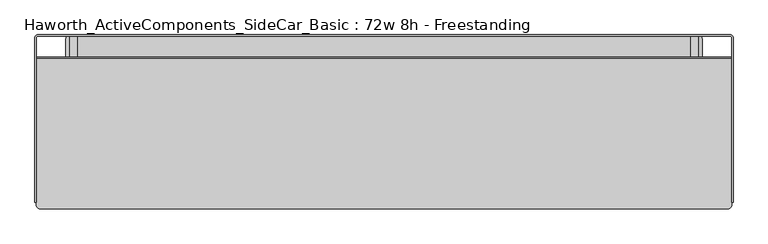
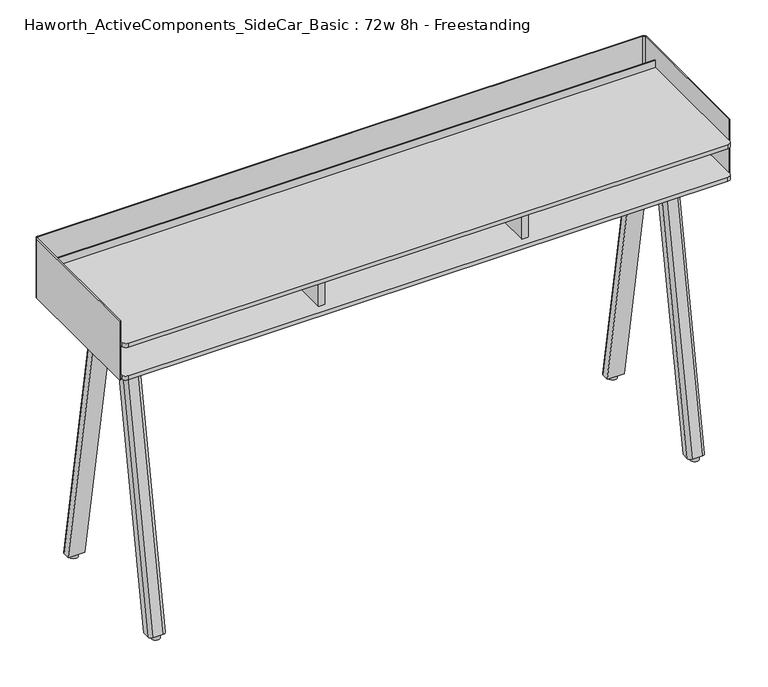
"""IFC4 building model written with IfcOpenShell, lengths in millimetres: furniture geometry, Haworth_ActiveComponents_SideCar_Basic : 72w 8h - Freestanding."""

from ifc_helpers import new_model, si_unit, point, frame, frame_2d, origin, origin_with_axes, place, context, project, spatial, polyline, circle_curve, trimmed, segment, composite_curve, outline, extrude, source, transform, mapped, element, save
from ifc_brep_helpers import plane_surface, extruded_surface, advanced_brep


def haworth_activecomponents_sidecar_basic_72w_8h_freestanding_e41c4fab(model_context):
    return source(origin(), model_context, "Body", "SolidModel", [
        advanced_brep(
        [(823.9125, -178.990625, 850.9), (792.1625, -178.990625, 850.9), (782.6375, -188.515625, 850.9), (782.6375, -209.153125, 850.9), (833.4375, -209.153125, 850.9), (833.4375, -188.515625, 850.9), (823.9125, -33.3375, 12.7), (833.4375, -42.8625, 12.7), (833.4375, -63.5, 12.7), (782.6375, -63.5, 12.7), (782.6375, -42.8625, 12.7), (792.1625, -33.3375, 12.7)],
        [
            (0, 1),
            (1, 2, circle_curve(frame((792.1625, -188.515625, 850.9), z_axis=(0.0, 0.0, 1.0), x_axis=(1.0, 0.0, 0.0)), 9.525)),
            (2, 3),
            (3, 4),
            (4, 5),
            (5, 0, circle_curve(frame((823.9125, -188.515625, 850.9), z_axis=(0.0, 0.0, 1.0), x_axis=(1.0, 0.0, 0.0)), 9.525)),
            (6, 7, circle_curve(frame((823.9125, -42.8625, 12.7), z_axis=(0.0, 0.0, -1.0), x_axis=(1.0, 0.0, 0.0)), 9.525)),
            (7, 8),
            (8, 9),
            (9, 10),
            (10, 11, circle_curve(frame((792.1625, -42.8625, 12.7), z_axis=(0.0, 0.0, -1.0), x_axis=(1.0, 0.0, 0.0)), 9.525)),
            (11, 6),
            (6, 0),
            (5, 7),
            (4, 8),
            (3, 9),
            (2, 10),
            (1, 11),
        ],
        [
            plane_surface(frame((808.0375, -192.2197917, 850.9), z_axis=(0.0, 0.0, 1.0), x_axis=(0.0, 1.0, 0.0))),
            plane_surface(frame((808.0375, -46.5666667, 12.7), z_axis=(0.0, 0.0, -1.0), x_axis=(0.0, 1.0, 0.0))),
            extruded_surface(trimmed(circle_curve(frame((823.9125, -42.8625, 12.7), z_axis=(0.0, 0.0, 1.0), x_axis=(1.0, 0.0, 0.0)), 9.525), [point((833.4375, -42.8625, 12.7))], [point((823.9125, -33.3375, 12.7))], True, "CARTESIAN"), (0.0, -145.653125, 838.1999999999999), 850.7608787563432),
            plane_surface(frame((833.4375, -53.18125, 12.7), z_axis=(1.0, 0.0, 0.0), x_axis=(0.0, 1.0, 0.0))),
            plane_surface(frame((808.0375, -63.5, 12.7), z_axis=(0.0, -0.9852357118551242, -0.17120336470211966), x_axis=(1.0, 0.0, 0.0))),
            plane_surface(frame((782.6375, -53.18125, 12.7), z_axis=(-1.0, 0.0, 0.0), x_axis=(0.0, -1.0, 0.0))),
            extruded_surface(trimmed(circle_curve(frame((792.1625, -42.8625, 12.7), z_axis=(0.0, 0.0, 1.0), x_axis=(1.0, 0.0, 0.0)), 9.525), [point((792.1625, -33.3375, 12.7))], [point((782.6375, -42.8625, 12.7))], True, "CARTESIAN"), (0.0, -145.653125, 838.1999999999999), 850.7608787563432),
            plane_surface(frame((808.0375, -33.3375, 12.7), z_axis=(0.0, 0.9852357118551242, 0.17120336470211966), x_axis=(-1.0, 0.0, 0.0))),
        ],
        [
            (0, [[1, 2, 3, 4, 5, 6]]),
            (1, [[7, 8, 9, 10, 11, 12]]),
            (2, [[-7, 13, -6, 14]]),
            (3, [[-8, -14, -5, 15]]),
            (4, [[-9, -15, -4, 16]]),
            (5, [[-10, -16, -3, 17]]),
            (6, [[-11, -17, -2, 18]]),
            (7, [[-12, -18, -1, -13]]),
        ],
    ),
        advanced_brep(
        [(823.9125, -341.709375, 850.9), (833.4375, -332.184375, 850.9), (833.4375, -311.546875, 850.9), (782.6375, -311.546875, 850.9), (782.6375, -332.184375, 850.9), (792.1625, -341.709375, 850.9), (823.9125, -487.3625, 12.7), (792.1625, -487.3625, 12.7), (782.6375, -477.8375, 12.7), (782.6375, -457.2, 12.7), (833.4375, -457.2, 12.7), (833.4375, -477.8375, 12.7)],
        [
            (0, 1, circle_curve(frame((823.9125, -332.184375, 850.9), z_axis=(0.0, 0.0, 1.0), x_axis=(1.0, 0.0, 0.0)), 9.525)),
            (1, 2),
            (2, 3),
            (3, 4),
            (4, 5, circle_curve(frame((792.1625, -332.184375, 850.9), z_axis=(0.0, 0.0, 1.0), x_axis=(1.0, 0.0, 0.0)), 9.525)),
            (5, 0),
            (6, 7),
            (7, 8, circle_curve(frame((792.1625, -477.8375, 12.7), z_axis=(0.0, 0.0, -1.0), x_axis=(1.0, 0.0, 0.0)), 9.525)),
            (8, 9),
            (9, 10),
            (10, 11),
            (11, 6, circle_curve(frame((823.9125, -477.8375, 12.7), z_axis=(0.0, 0.0, -1.0), x_axis=(1.0, 0.0, 0.0)), 9.525)),
            (11, 1),
            (0, 6),
            (10, 2),
            (9, 3),
            (8, 4),
            (7, 5),
        ],
        [
            plane_surface(frame((808.0375, -328.4802083, 850.9), z_axis=(0.0, 0.0, 1.0), x_axis=(-1.0, 0.0, 0.0))),
            plane_surface(frame((808.0375, -474.1333333, 12.7), z_axis=(0.0, 0.0, -1.0), x_axis=(-1.0, 0.0, 0.0))),
            extruded_surface(trimmed(circle_curve(frame((823.9125, -477.8375, 12.7), z_axis=(0.0, 0.0, 1.0), x_axis=(1.0, 0.0, 0.0)), 9.525), [point((823.9125, -487.3625, 12.7))], [point((833.4375, -477.8375, 12.7))], True, "CARTESIAN"), (0.0, 145.653125, 838.1999999999999), 850.7608787563432),
            plane_surface(frame((833.4375, -467.51875, 12.7), z_axis=(1.0, 0.0, 0.0), x_axis=(0.0, 1.0, 0.0))),
            plane_surface(frame((808.0375, -457.2, 12.7), z_axis=(0.0, 0.9852357118551246, -0.17120336470211656), x_axis=(-1.0, 0.0, 0.0))),
            plane_surface(frame((782.6375, -467.51875, 12.7), z_axis=(-1.0, 0.0, 0.0), x_axis=(0.0, -1.0, 0.0))),
            extruded_surface(trimmed(circle_curve(frame((792.1625, -477.8375, 12.7), z_axis=(0.0, 0.0, 1.0), x_axis=(1.0, 0.0, 0.0)), 9.525), [point((782.6375, -477.8375, 12.7))], [point((792.1625, -487.3625, 12.7))], True, "CARTESIAN"), (0.0, 145.653125, 838.1999999999999), 850.7608787563432),
            plane_surface(frame((808.0375, -487.3625, 12.7), z_axis=(0.0, -0.9852357118551246, 0.17120336470211656), x_axis=(1.0, 0.0, 0.0))),
        ],
        [
            (0, [[1, 2, 3, 4, 5, 6]]),
            (1, [[7, 8, 9, 10, 11, 12]]),
            (2, [[-12, 13, -1, 14]]),
            (3, [[-11, 15, -2, -13]]),
            (4, [[-10, 16, -3, -15]]),
            (5, [[-9, 17, -4, -16]]),
            (6, [[-8, 18, -5, -17]]),
            (7, [[-7, -14, -6, -18]]),
        ],
    ),
        extrude(outline(composite_curve([segment(trimmed(circle_curve(frame_2d((808.0375, -473.471875)), 12.7), [point((795.3375, -473.471875))], [point((820.7375, -473.471875))], False, "CARTESIAN"), True, "CONTINUOUS"), segment(trimmed(circle_curve(frame_2d((808.0375, -473.471875)), 12.7), [point((820.7375, -473.471875))], [point((795.3375, -473.471875))], False, "CARTESIAN"), True, "CONTINUOUS")], self_intersect=False)), origin_with_axes(), (0.0, 0.0, 1.0), 12.7),
        extrude(outline(composite_curve([segment(trimmed(circle_curve(frame_2d((808.0375, -47.228125)), 12.7), [point((795.3375, -47.228125))], [point((820.7375, -47.228125))], False, "CARTESIAN"), True, "CONTINUOUS"), segment(trimmed(circle_curve(frame_2d((808.0375, -47.228125)), 12.7), [point((820.7375, -47.228125))], [point((795.3375, -47.228125))], False, "CARTESIAN"), True, "CONTINUOUS")], self_intersect=False)), origin_with_axes(), (0.0, 0.0, 1.0), 12.7),
        advanced_brep(
        [(-792.1625, -178.990625, 850.9), (-823.9125, -178.990625, 850.9), (-833.4375, -188.515625, 850.9), (-833.4375, -209.153125, 850.9), (-782.6375, -209.153125, 850.9), (-782.6375, -188.515625, 850.9), (-792.1625, -33.3375, 12.7), (-782.6375, -42.8625, 12.7), (-782.6375, -63.5, 12.7), (-833.4375, -63.5, 12.7), (-833.4375, -42.8625, 12.7), (-823.9125, -33.3375, 12.7)],
        [
            (0, 1),
            (1, 2, circle_curve(frame((-823.9125, -188.515625, 850.9), z_axis=(0.0, 0.0, 1.0), x_axis=(1.0, 0.0, 0.0)), 9.525)),
            (2, 3),
            (3, 4),
            (4, 5),
            (5, 0, circle_curve(frame((-792.1625, -188.515625, 850.9), z_axis=(0.0, 0.0, 1.0), x_axis=(1.0, 0.0, 0.0)), 9.525)),
            (6, 7, circle_curve(frame((-792.1625, -42.8625, 12.7), z_axis=(0.0, 0.0, -1.0), x_axis=(1.0, 0.0, 0.0)), 9.525)),
            (7, 8),
            (8, 9),
            (9, 10),
            (10, 11, circle_curve(frame((-823.9125, -42.8625, 12.7), z_axis=(0.0, 0.0, -1.0), x_axis=(1.0, 0.0, 0.0)), 9.525)),
            (11, 6),
            (6, 0),
            (5, 7),
            (4, 8),
            (3, 9),
            (2, 10),
            (1, 11),
        ],
        [
            plane_surface(frame((-808.0375, -192.2197917, 850.9), z_axis=(0.0, 0.0, 1.0), x_axis=(0.0, 1.0, 0.0))),
            plane_surface(frame((-808.0375, -46.5666667, 12.7), z_axis=(0.0, 0.0, -1.0), x_axis=(0.0, 1.0, 0.0))),
            extruded_surface(trimmed(circle_curve(frame((-792.1625, -42.8625, 12.7), z_axis=(0.0, 0.0, 1.0), x_axis=(1.0, 0.0, 0.0)), 9.525), [point((-782.6375, -42.8625, 12.7))], [point((-792.1625, -33.3375, 12.7))], True, "CARTESIAN"), (0.0, -145.653125, 838.1999999999999), 850.7608787563432),
            plane_surface(frame((-782.6375, -53.18125, 12.7), z_axis=(1.0, 0.0, 0.0), x_axis=(0.0, 1.0, 0.0))),
            plane_surface(frame((-808.0375, -63.5, 12.7), z_axis=(0.0, -0.9852357118551242, -0.17120336470211966), x_axis=(1.0, 0.0, 0.0))),
            plane_surface(frame((-833.4375, -53.18125, 12.7), z_axis=(-1.0, 0.0, 0.0), x_axis=(0.0, -1.0, 0.0))),
            extruded_surface(trimmed(circle_curve(frame((-823.9125, -42.8625, 12.7), z_axis=(0.0, 0.0, 1.0), x_axis=(1.0, 0.0, 0.0)), 9.525), [point((-823.9125, -33.3375, 12.7))], [point((-833.4375, -42.8625, 12.7))], True, "CARTESIAN"), (0.0, -145.653125, 838.1999999999999), 850.7608787563432),
            plane_surface(frame((-808.0375, -33.3375, 12.7), z_axis=(0.0, 0.9852357118551242, 0.17120336470211966), x_axis=(-1.0, 0.0, 0.0))),
        ],
        [
            (0, [[1, 2, 3, 4, 5, 6]]),
            (1, [[7, 8, 9, 10, 11, 12]]),
            (2, [[-7, 13, -6, 14]]),
            (3, [[-8, -14, -5, 15]]),
            (4, [[-9, -15, -4, 16]]),
            (5, [[-10, -16, -3, 17]]),
            (6, [[-11, -17, -2, 18]]),
            (7, [[-12, -18, -1, -13]]),
        ],
    ),
        advanced_brep(
        [(-792.1625, -341.709375, 850.9), (-782.6375, -332.184375, 850.9), (-782.6375, -311.546875, 850.9), (-833.4375, -311.546875, 850.9), (-833.4375, -332.184375, 850.9), (-823.9125, -341.709375, 850.9), (-792.1625, -487.3625, 12.7), (-823.9125, -487.3625, 12.7), (-833.4375, -477.8375, 12.7), (-833.4375, -457.2, 12.7), (-782.6375, -457.2, 12.7), (-782.6375, -477.8375, 12.7)],
        [
            (0, 1, circle_curve(frame((-792.1625, -332.184375, 850.9), z_axis=(0.0, 0.0, 1.0), x_axis=(1.0, 0.0, 0.0)), 9.525)),
            (1, 2),
            (2, 3),
            (3, 4),
            (4, 5, circle_curve(frame((-823.9125, -332.184375, 850.9), z_axis=(0.0, 0.0, 1.0), x_axis=(1.0, 0.0, 0.0)), 9.525)),
            (5, 0),
            (6, 7),
            (7, 8, circle_curve(frame((-823.9125, -477.8375, 12.7), z_axis=(0.0, 0.0, -1.0), x_axis=(1.0, 0.0, 0.0)), 9.525)),
            (8, 9),
            (9, 10),
            (10, 11),
            (11, 6, circle_curve(frame((-792.1625, -477.8375, 12.7), z_axis=(0.0, 0.0, -1.0), x_axis=(1.0, 0.0, 0.0)), 9.525)),
            (11, 1),
            (0, 6),
            (10, 2),
            (9, 3),
            (8, 4),
            (7, 5),
        ],
        [
            plane_surface(frame((-808.0375, -328.4802083, 850.9), z_axis=(0.0, 0.0, 1.0), x_axis=(-1.0, 0.0, 0.0))),
            plane_surface(frame((-808.0375, -474.1333333, 12.7), z_axis=(0.0, 0.0, -1.0), x_axis=(-1.0, 0.0, 0.0))),
            extruded_surface(trimmed(circle_curve(frame((-792.1625, -477.8375, 12.7), z_axis=(0.0, 0.0, 1.0), x_axis=(1.0, 0.0, 0.0)), 9.525), [point((-792.1625, -487.3625, 12.7))], [point((-782.6375, -477.8375, 12.7))], True, "CARTESIAN"), (0.0, 145.653125, 838.1999999999999), 850.7608787563432),
            plane_surface(frame((-782.6375, -467.51875, 12.7), z_axis=(1.0, 0.0, 0.0), x_axis=(0.0, 1.0, 0.0))),
            plane_surface(frame((-808.0375, -457.2, 12.7), z_axis=(0.0, 0.9852357118551246, -0.17120336470211656), x_axis=(-1.0, 0.0, 0.0))),
            plane_surface(frame((-833.4375, -467.51875, 12.7), z_axis=(-1.0, 0.0, 0.0), x_axis=(0.0, -1.0, 0.0))),
            extruded_surface(trimmed(circle_curve(frame((-823.9125, -477.8375, 12.7), z_axis=(0.0, 0.0, 1.0), x_axis=(1.0, 0.0, 0.0)), 9.525), [point((-833.4375, -477.8375, 12.7))], [point((-823.9125, -487.3625, 12.7))], True, "CARTESIAN"), (0.0, 145.653125, 838.1999999999999), 850.7608787563432),
            plane_surface(frame((-808.0375, -487.3625, 12.7), z_axis=(0.0, -0.9852357118551246, 0.17120336470211656), x_axis=(1.0, 0.0, 0.0))),
        ],
        [
            (0, [[1, 2, 3, 4, 5, 6]]),
            (1, [[7, 8, 9, 10, 11, 12]]),
            (2, [[-12, 13, -1, 14]]),
            (3, [[-11, 15, -2, -13]]),
            (4, [[-10, 16, -3, -15]]),
            (5, [[-9, 17, -4, -16]]),
            (6, [[-8, 18, -5, -17]]),
            (7, [[-7, -14, -6, -18]]),
        ],
    ),
        extrude(outline(composite_curve([segment(trimmed(circle_curve(frame_2d((-808.0375, -473.471875)), 12.7), [point((-820.7375, -473.471875))], [point((-795.3375, -473.471875))], False, "CARTESIAN"), True, "CONTINUOUS"), segment(trimmed(circle_curve(frame_2d((-808.0375, -473.471875)), 12.7), [point((-795.3375, -473.471875))], [point((-820.7375, -473.471875))], False, "CARTESIAN"), True, "CONTINUOUS")], self_intersect=False)), origin_with_axes(), (0.0, 0.0, 1.0), 12.7),
        extrude(outline(composite_curve([segment(trimmed(circle_curve(frame_2d((-808.0375, -47.228125)), 12.7), [point((-820.7375, -47.228125))], [point((-795.3375, -47.228125))], False, "CARTESIAN"), True, "CONTINUOUS"), segment(trimmed(circle_curve(frame_2d((-808.0375, -47.228125)), 12.7), [point((-795.3375, -47.228125))], [point((-820.7375, -47.228125))], False, "CARTESIAN"), True, "CONTINUOUS")], self_intersect=False)), origin_with_axes(), (0.0, 0.0, 1.0), 12.7),
        extrude(outline(composite_curve([segment(polyline([(865.1875, -457.2000121), (-865.1875, -457.2000121)]), True, "CONTINUOUS"), segment(trimmed(circle_curve(frame_2d((-865.1875, -444.5000121)), 12.7), [point((-865.1875, -457.2000121))], [point((-877.8875, -444.5000121))], False, "CARTESIAN"), True, "CONTINUOUS"), segment(polyline([(-877.8875, -444.5000121), (-877.8875, -166.1160172), (-808.83125, -166.1160172)]), True, "CONTINUOUS"), segment(trimmed(circle_curve(frame_2d((-808.83125, -158.9722672)), 7.14375), [point((-808.83125, -166.1160172))], [point((-801.6875, -158.9722672))], True, "CARTESIAN"), True, "CONTINUOUS"), segment(polyline([(-801.6875, -158.9722672), (-801.6875, -35.1790143), (801.6875, -35.1790143), (801.6875, -158.9722672)]), True, "CONTINUOUS"), segment(trimmed(circle_curve(frame_2d((808.83125, -158.9722672)), 7.14375), [point((801.6875, -158.9722672))], [point((808.83125, -166.1160172))], True, "CARTESIAN"), True, "CONTINUOUS"), segment(polyline([(808.83125, -166.1160172), (877.8875, -166.1160172), (877.8875, -444.5000121)]), True, "CONTINUOUS"), segment(trimmed(circle_curve(frame_2d((865.1875, -444.5000121)), 12.7), [point((877.8875, -444.5000121))], [point((865.1875, -457.2000121))], False, "CARTESIAN"), True, "CONTINUOUS")], self_intersect=False)), frame((0.0, 0.0, 850.9), z_axis=(0.0, 0.0, 1.0), x_axis=(1.0, 0.0, 0.0)), (0.0, 0.0, 1.0), 6.3500242),
        extrude(outline(composite_curve([segment(trimmed(circle_curve(frame_2d((-318.1985042, 838.009532)), 1.5875), [point((-319.7860042, 838.009532))], [point((-318.1985042, 836.422032))], True, "CARTESIAN"), True, "CONTINUOUS"), segment(polyline([(-318.1985042, 836.422032), (-276.9234921, 836.422032)]), True, "CONTINUOUS"), segment(trimmed(circle_curve(frame_2d((-276.9234921, 838.009532)), 1.5875), [point((-276.9234921, 836.422032))], [point((-275.3359921, 838.009532))], True, "CARTESIAN"), True, "CONTINUOUS"), segment(polyline([(-275.3359921, 838.009532), (-275.3359921, 847.725)]), True, "CONTINUOUS"), segment(trimmed(circle_curve(frame_2d((-272.1609921, 847.725)), 3.175), [point((-275.3359921, 847.725))], [point((-272.1609921, 850.9))], False, "CARTESIAN"), True, "CONTINUOUS"), segment(polyline([(-272.1609921, 850.9), (-258.0640085, 850.9), (-258.0640085, 849.3760378), (-272.2244935, 849.3760378)]), True, "CONTINUOUS"), segment(trimmed(circle_curve(frame_2d((-272.2244935, 847.7885378)), 1.5875), [point((-272.2244935, 849.3760378))], [point((-273.8119935, 847.7885378))], True, "CARTESIAN"), True, "CONTINUOUS"), segment(polyline([(-273.8119935, 847.7885378), (-273.8119935, 838.0729971)]), True, "CONTINUOUS"), segment(trimmed(circle_curve(frame_2d((-276.9869935, 838.0729971)), 3.175), [point((-273.8119935, 838.0729971))], [point((-276.9869935, 834.8979971))], False, "CARTESIAN"), True, "CONTINUOUS"), segment(polyline([(-276.9869935, 834.8979971), (-318.1350027, 834.8979971)]), True, "CONTINUOUS"), segment(trimmed(circle_curve(frame_2d((-318.1350027, 838.0729971)), 3.175), [point((-318.1350027, 834.8979971))], [point((-321.3100027, 838.0729971))], False, "CARTESIAN"), True, "CONTINUOUS"), segment(polyline([(-321.3100027, 838.0729971), (-321.3100027, 847.7885378)]), True, "CONTINUOUS"), segment(trimmed(circle_curve(frame_2d((-322.8975027, 847.7885378)), 1.5875), [point((-321.3100027, 847.7885378))], [point((-322.8975027, 849.3760378))], True, "CARTESIAN"), True, "CONTINUOUS"), segment(polyline([(-322.8975027, 849.3760378), (-337.0580059, 849.3760378), (-337.0580059, 850.9), (-322.9610042, 850.9)]), True, "CONTINUOUS"), segment(trimmed(circle_curve(frame_2d((-322.9610042, 847.725)), 3.175), [point((-322.9610042, 850.9))], [point((-319.7860042, 847.725))], False, "CARTESIAN"), True, "CONTINUOUS"), segment(polyline([(-319.7860042, 847.725), (-319.7860042, 838.009532)]), True, "CONTINUOUS")], self_intersect=False)), frame((-625.078125, 0.0, 0.0), z_axis=(1.0, 0.0, 0.0), x_axis=(0.0, 1.0, 0.0)), (0.0, 0.0, 1.0), 1224.75625),
        extrude(outline(composite_curve([segment(trimmed(circle_curve(frame_2d((-906.1648437, -39.9851563)), 8.2351562), [point((-914.4, -39.9851563))], [point((-906.1648437, -31.75))], False, "CARTESIAN"), True, "CONTINUOUS"), segment(polyline([(-906.1648437, -31.75), (906.1648438, -31.75)]), True, "CONTINUOUS"), segment(trimmed(circle_curve(frame_2d((906.1648438, -39.9851563)), 8.2351562), [point((906.1648438, -31.75))], [point((914.4, -39.9851563))], False, "CARTESIAN"), True, "CONTINUOUS"), segment(polyline([(914.4, -39.9851563), (914.4, -471.4748312), (911.225, -471.4748312), (911.225, -39.9851563)]), True, "CONTINUOUS"), segment(trimmed(circle_curve(frame_2d((906.1648438, -39.9851563)), 5.0601563), [point((911.225, -39.9851563))], [point((906.1648438, -34.925))], True, "CARTESIAN"), True, "CONTINUOUS"), segment(polyline([(906.1648438, -34.925), (-906.1648437, -34.925)]), True, "CONTINUOUS"), segment(trimmed(circle_curve(frame_2d((-906.1648437, -39.9851563)), 5.0601563), [point((-906.1648437, -34.925))], [point((-911.225, -39.9851563))], True, "CARTESIAN"), True, "CONTINUOUS"), segment(polyline([(-911.225, -39.9851563), (-911.225, -471.4748312), (-914.4, -471.4748312), (-914.4, -39.9851563)]), True, "CONTINUOUS")], self_intersect=False)), frame((0.0, 0.0, 850.9), z_axis=(0.0, 0.0, 1.0), x_axis=(1.0, 0.0, 0.0)), (0.0, 0.0, 1.0), 187.1979971),
        extrude(outline(polyline([(-295.275, -185.0643922), (-295.275, -464.4644306), (-314.325, -464.4644306), (-314.325, -185.0643922), (-295.275, -185.0643922)])), frame((0.0, 0.0, 869.9499758), z_axis=(0.0, 0.0, 1.0), x_axis=(1.0, 0.0, 0.0)), (0.0, 0.0, 1.0), 90.4875),
        extrude(outline(polyline([(295.275, -185.0643922), (314.325, -185.0643922), (314.325, -464.4644306), (295.275, -464.4644306), (295.275, -185.0643922)])), frame((0.0, 0.0, 869.9499758), z_axis=(0.0, 0.0, 1.0), x_axis=(1.0, 0.0, 0.0)), (0.0, 0.0, 1.0), 90.4875),
        extrude(outline(polyline([(909.4390625, -90.4392547), (909.4390625, -92.3366362), (-909.4390625, -92.3366362), (-909.4390625, -90.4392547), (909.4390625, -90.4392547)])), frame((0.0, 0.0, 960.4374758), z_axis=(0.0, 0.0, 1.0), x_axis=(1.0, 0.0, 0.0)), (0.0, 0.0, 1.0), 36.2661488),
        extrude(outline(composite_curve([segment(polyline([(898.525, -488.95), (-898.525, -488.95)]), True, "CONTINUOUS"), segment(trimmed(circle_curve(frame_2d((-898.525, -476.25)), 12.7), [point((-898.525, -488.95))], [point((-911.225, -476.25))], False, "CARTESIAN"), True, "CONTINUOUS"), segment(polyline([(-911.225, -476.25), (-911.225, -166.1160172), (-808.83125, -166.1160172)]), True, "CONTINUOUS"), segment(trimmed(circle_curve(frame_2d((-808.83125, -158.9722672)), 7.14375), [point((-808.83125, -166.1160172))], [point((-801.6875, -158.9722672))], True, "CARTESIAN"), True, "CONTINUOUS"), segment(polyline([(-801.6875, -158.9722672), (-801.6875, -35.1790143), (801.6875, -35.1790143), (801.6875, -158.9722672)]), True, "CONTINUOUS"), segment(trimmed(circle_curve(frame_2d((808.83125, -158.9722672)), 7.14375), [point((801.6875, -158.9722672))], [point((808.83125, -166.1160172))], True, "CARTESIAN"), True, "CONTINUOUS"), segment(polyline([(808.83125, -166.1160172), (911.225, -166.1160172), (911.225, -476.25)]), True, "CONTINUOUS"), segment(trimmed(circle_curve(frame_2d((898.525, -476.25)), 12.7), [point((911.225, -476.25))], [point((898.525, -488.95))], False, "CARTESIAN"), True, "CONTINUOUS")], self_intersect=False)), frame((0.0, 0.0, 857.2500242), z_axis=(0.0, 0.0, 1.0), x_axis=(1.0, 0.0, 0.0)), (0.0, 0.0, 1.0), 12.6999516),
        extrude(outline(composite_curve([segment(polyline([(-911.225, -92.3366362), (911.225, -92.3366362), (911.225, -476.25)]), True, "CONTINUOUS"), segment(trimmed(circle_curve(frame_2d((898.525, -476.25)), 12.7), [point((911.225, -476.25))], [point((898.525, -488.95))], False, "CARTESIAN"), True, "CONTINUOUS"), segment(polyline([(898.525, -488.95), (-898.525, -488.95)]), True, "CONTINUOUS"), segment(trimmed(circle_curve(frame_2d((-898.525, -476.25)), 12.7), [point((-898.525, -488.95))], [point((-911.225, -476.25))], False, "CARTESIAN"), True, "CONTINUOUS"), segment(polyline([(-911.225, -476.25), (-911.225, -92.3366362)]), True, "CONTINUOUS")], self_intersect=False)), frame((0.0, 0.0, 960.4374758), z_axis=(0.0, 0.0, 1.0), x_axis=(1.0, 0.0, 0.0)), (0.0, 0.0, 1.0), 12.7000242),
    ])


if __name__ == "__main__":
    model = new_model("IFC4")
    model_context = context("Model", 3, world=origin())
    ifc_project = project(units=[si_unit("LENGTHUNIT", "METRE", prefix="MILLI")], contexts=[model_context])
    site = spatial("IfcSite", under=ifc_project)
    building = spatial("IfcBuilding", under=site)
    placement = place(None, origin())
    haworth_activecomponents_sidecar_basic_72w_8h_freestanding_shape = haworth_activecomponents_sidecar_basic_72w_8h_freestanding_e41c4fab(model_context)
    element("IfcFurniture", 1, ObjectType="Haworth_ActiveComponents_SideCar_Basic : 72w 8h - Freestanding", at=placement, inside=building, context=model_context, shape_type="MappedRepresentation", body=[
        mapped(haworth_activecomponents_sidecar_basic_72w_8h_freestanding_shape, transform((0.0, 0.0, 0.0), x_axis=(1.0, 0.0, 0.0), y_axis=(0.0, 1.0, 0.0), z_axis=(0.0, 0.0, 1.0))),
    ])
    save(model, "model.ifc")
